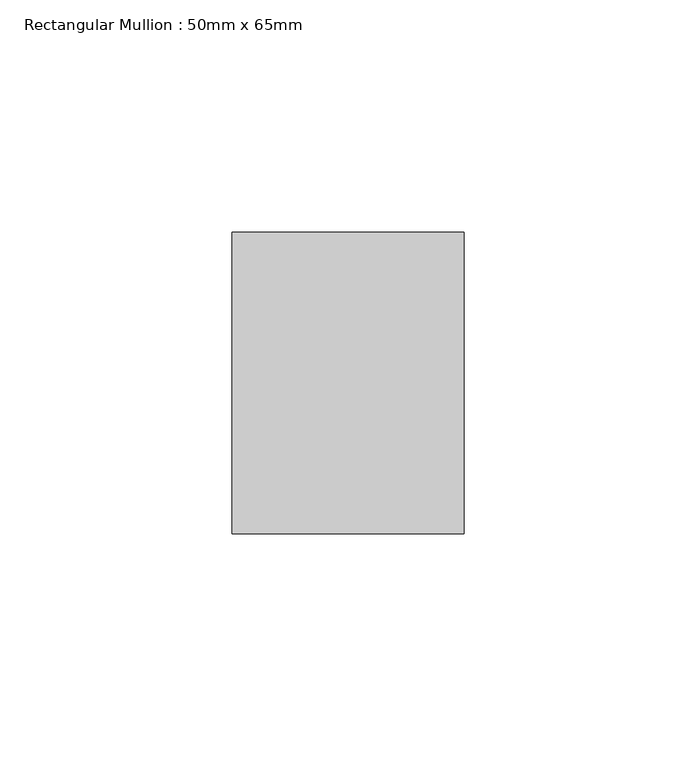
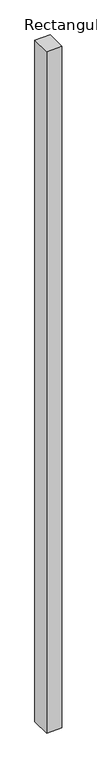
"""IFC4 building model written with IfcOpenShell, lengths in millimetres: member geometry, Rectangular Mullion : 50mm x 65mm."""

from ifc_helpers import new_model, si_unit, frame, origin, place, context, project, spatial, polyline, outline, extrude, source, transform, mapped, element, save


def rectangular_mullion_50mm_x_65mm_e5f4331e(model_context):
    return source(origin(), model_context, "Body", "SweptSolid", [
        extrude(outline(polyline([(25.0, 32.5), (25.0, -32.5), (-25.0, -32.5), (-25.0, 32.5), (25.0, 32.5)])), frame((0.0, 0.0, -2332.1774221), z_axis=(0.0, 0.0, 1.0), x_axis=(1.0, 0.0, 0.0)), (0.0, 0.0, 1.0), 2332.1774221),
    ])


if __name__ == "__main__":
    model = new_model("IFC4")
    model_context = context("Model", 3, world=origin())
    ifc_project = project(units=[si_unit("LENGTHUNIT", "METRE", prefix="MILLI")], contexts=[model_context])
    site = spatial("IfcSite", under=ifc_project)
    building = spatial("IfcBuilding", under=site)
    placement = place(None, origin())
    rectangular_mullion_50mm_x_65mm_shape = rectangular_mullion_50mm_x_65mm_e5f4331e(model_context)
    element("IfcMember", 1, ObjectType="Rectangular Mullion : 50mm x 65mm", at=placement, inside=building, context=model_context, shape_type="MappedRepresentation", body=[
        mapped(rectangular_mullion_50mm_x_65mm_shape, transform((0.0, 0.0, 0.0), x_axis=(1.0, 0.0, 0.0), y_axis=(0.0, 1.0, 0.0), z_axis=(0.0, 0.0, 1.0))),
    ])
    save(model, "model.ifc")
